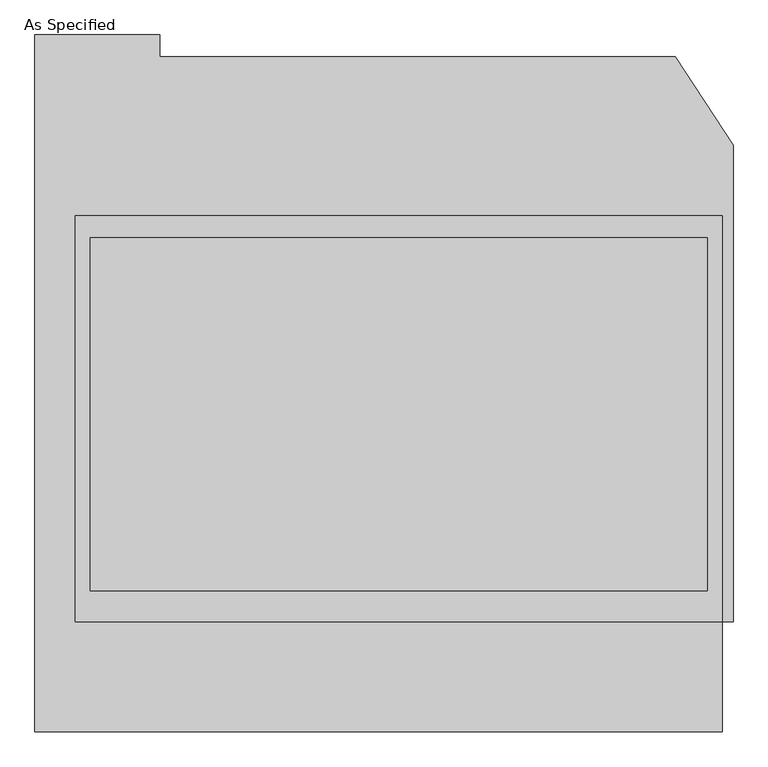
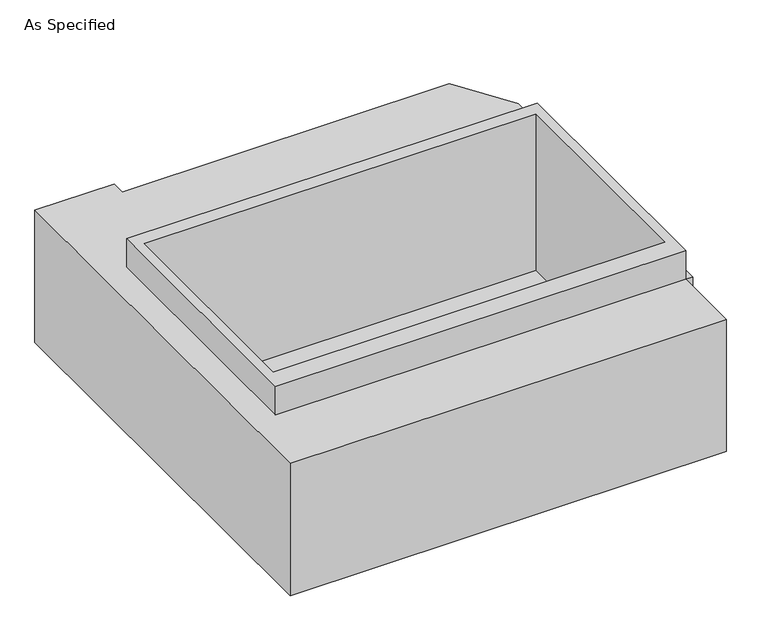
"""IFC4 building model written with IfcOpenShell, lengths in millimetres: proxy geometry, As Specified."""

from ifc_helpers import new_model, si_unit, origin, place, context, project, spatial, faceted_brep, source, transform, mapped, element, save


def as_specified_b241a273(model_context):
    return source(origin(), model_context, "Body", "Brep", [
        faceted_brep([(1117.6, 617.8351562, 139.7), (-1117.6, 617.8351562, 139.7), (-1117.6, -785.5148438, 139.7), (1117.6, -785.5148438, 139.7), (-1066.8, 541.6748437, 139.7), (1066.8, 541.6748437, 139.7), (1066.8, -677.5251563, 139.7), (-1066.8, -677.5251563, 139.7), (1117.6, 617.8351562, -25.4), (-1117.6, 617.8351562, -25.4), (-1117.6, -785.5148438, -25.4), (1117.6, -785.5148438, -25.4), (-1066.8, 541.6748437, -762.0), (1066.8, 541.6748437, -762.0), (1066.8, -677.5251563, -762.0), (-1066.8, -677.5251563, -762.0), (1117.6, -785.5148438, -787.4), (1117.6, -1166.5148438, -787.4), (-1257.3, -1166.5148438, -787.4), (-1257.3, 1242.6751562, -787.4), (-826.089408, 1242.6751562, -787.4), (-826.089408, 1166.5148437, -787.4), (956.260123, 1166.5148437, -787.4), (1155.7, 862.0233299, -787.4), (1155.7, -785.5148438, -787.4), (1117.6, -1166.5148438, -25.4), (1155.7, -785.5148438, -25.4), (1155.7, 862.0233299, -25.4), (956.260123, 1166.5148437, -25.4), (-826.089408, 1166.5148437, -25.4), (-826.089408, 1242.6751562, -25.4), (-1257.3, 1242.6751562, -25.4), (-1257.3, -1166.5148438, -25.4), (1117.6, -785.5148438, -762.0)], [[[0, 1, 2, 3], [4, 5, 6, 7]], [[1, 0, 8, 9]], [[2, 1, 9, 10]], [[3, 2, 10, 11]], [[0, 3, 11, 8]], [[5, 4, 12, 13]], [[6, 5, 13, 14]], [[7, 6, 14, 15]], [[4, 7, 15, 12]], [[13, 12, 15, 14]], [[16, 17, 18, 19, 20, 21, 22, 23, 24]], [[25, 11, 10, 9, 8, 11, 26, 27, 28, 29, 30, 31, 32]], [[28, 22, 21, 29]], [[24, 26, 11, 33, 16]], [[26, 24, 23, 27]], [[17, 16, 33, 11, 25]], [[17, 25, 32, 18]], [[23, 22, 28, 27]], [[19, 18, 32, 31]], [[21, 20, 30, 29]], [[20, 19, 31, 30]]]),
    ])


if __name__ == "__main__":
    model = new_model("IFC4")
    model_context = context("Model", 3, world=origin())
    ifc_project = project(units=[si_unit("LENGTHUNIT", "METRE", prefix="MILLI")], contexts=[model_context])
    site = spatial("IfcSite", under=ifc_project)
    building = spatial("IfcBuilding", under=site)
    placement = place(None, origin())
    as_specified_shape = as_specified_b241a273(model_context)
    element("IfcBuildingElementProxy", 1, Name="As Specified", ObjectType="As Specified", at=placement, inside=building, context=model_context, shape_type="MappedRepresentation", body=[
        mapped(as_specified_shape, transform((0.0, 0.0, 0.0), x_axis=(1.0, 0.0, 0.0), y_axis=(0.0, 1.0, 0.0), z_axis=(0.0, 0.0, 1.0))),
    ])
    save(model, "model.ifc")
